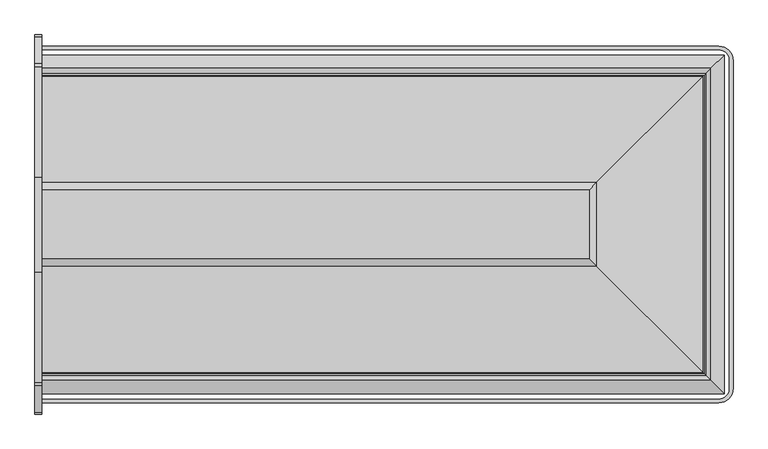
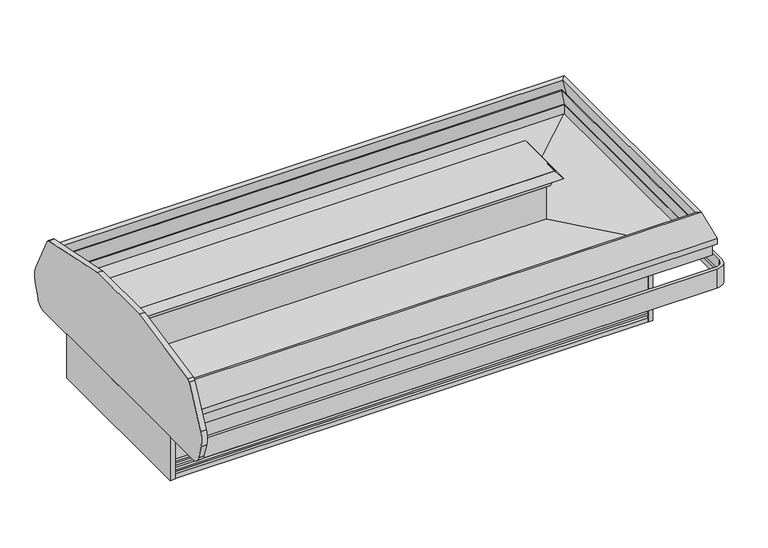
"""IFC4 building model written with IfcOpenShell, lengths in millimetres: proxy geometry."""

from ifc_helpers import new_model, si_unit, point, frame, frame_2d, origin, origin_with_axes, place, context, project, spatial, polyline, circle_curve, ellipse_curve, trimmed, segment, composite_curve, outline, extrude, faceted_brep, source, transform, mapped, element, save
from ifc_brep_helpers import plane_surface, cylinder_surface, revolved_surface, advanced_brep


def mechanical_equipment_62e10a03(model_context):
    return source(origin(), model_context, "Body", "SolidModel", [
        extrude(outline(polyline([(2943.5610789, -1521.8335484), (3248.3610789, -1521.8335484), (3248.3610789, -1623.4335484), (2943.5610789, -1623.4335484), (2943.5610789, -1521.8335484)])), frame((0.0, 0.0, 139.7), z_axis=(0.0, 0.0, 1.0), x_axis=(1.0, 0.0, 0.0)), (0.0, 0.0, 1.0), 53.975),
        extrude(outline(polyline([(3357.3719993, -1987.1166266), (3357.3719993, -1952.9985136), (3389.1219993, -1952.9985136), (3389.1219993, -1987.1166266), (3357.3719993, -1987.1166266)])), origin_with_axes(), (0.0, 0.0, 1.0), 374.65),
        extrude(outline(polyline([(3357.3719993, -739.722628), (3389.1219993, -739.722628), (3389.1219993, -773.840741), (3357.3719993, -773.840741), (3357.3719993, -739.722628)])), origin_with_axes(), (0.0, 0.0, 1.0), 374.65),
        extrude(outline(polyline([(0.0, -728.4196273), (0.0, -1998.4196273), (-38.1, -1998.4196273), (-38.1, -728.4196273), (0.0, -728.4196273)])), frame((0.0, 0.0, 5.8104303), z_axis=(0.0, 0.0, 1.0), x_axis=(1.0, 0.0, 0.0)), (0.0, 0.0, 1.0), 330.2),
        extrude(outline(composite_curve([segment(trimmed(circle_curve(frame_2d((-2276.0813528, 412.2141747)), 76.2037445), [point((-2276.0813528, 336.0104303))], [point((-2349.0936528, 390.3918303))], False, "CARTESIAN"), True, "CONTINUOUS"), segment(polyline([(-2349.0936528, 390.3918303), (-2380.4118528, 495.1749721)]), True, "CONTINUOUS"), segment(trimmed(circle_curve(frame_2d((-2210.103478, 546.077738)), 177.752733), [point((-2380.4118528, 495.1749721))], [point((-2377.8321273, 604.9261391))], False, "CARTESIAN"), True, "CONTINUOUS"), segment(polyline([(-2377.8321273, 604.9261391), (-2233.2627626, 888.659493)]), True, "CONTINUOUS"), segment(trimmed(circle_curve(frame_2d((-2210.6311969, 877.1281343)), 25.4), [point((-2233.2627626, 888.659493))], [point((-2216.4820638, 901.845079))], False, "CARTESIAN"), True, "CONTINUOUS"), segment(polyline([(-2216.4820638, 901.845079), (-1619.9032333, 1025.3672201), (-1106.9360213, 1025.3672201), (-510.3571908, 901.845079)]), True, "CONTINUOUS"), segment(trimmed(circle_curve(frame_2d((-516.2080577, 877.1281343)), 25.4), [point((-510.3571908, 901.845079))], [point((-493.576492, 888.659493))], False, "CARTESIAN"), True, "CONTINUOUS"), segment(polyline([(-493.576492, 888.659493), (-349.0071273, 604.9261391)]), True, "CONTINUOUS"), segment(trimmed(circle_curve(frame_2d((-516.7357765, 546.077738)), 177.752733), [point((-349.0071273, 604.9261391))], [point((-346.4274018, 495.1749721))], False, "CARTESIAN"), True, "CONTINUOUS"), segment(polyline([(-346.4274018, 495.1749721), (-377.7456018, 390.3918303)]), True, "CONTINUOUS"), segment(trimmed(circle_curve(frame_2d((-450.7579018, 412.2141747)), 76.2037445), [point((-377.7456018, 390.3918303))], [point((-450.7579018, 336.0104303))], False, "CARTESIAN"), True, "CONTINUOUS"), segment(polyline([(-450.7579018, 336.0104303), (-2276.0813528, 336.0104303)]), True, "CONTINUOUS")], self_intersect=False)), frame((-38.1, 0.0, 0.0), z_axis=(1.0, 0.0, 0.0), x_axis=(0.0, 1.0, 0.0)), (0.0, 0.0, 1.0), 38.1),
        advanced_brep(
        [(0.0, -400.7279842, 359.085718), (0.0, -415.4599842, 359.085718), (0.0, -415.4599842, 395.026718), (0.0, -420.1796936, 421.79352), (0.0, -420.1796936, 502.405218), (0.0, -400.7279842, 502.405218), (3651.3002227, -400.7279842, 359.085718), (3728.1166431, -477.5444046, 359.085718), (3728.1166431, -2249.29485, 359.085718), (3651.3002227, -2326.1112704, 359.085718), (0.0, -2326.1112704, 359.085718), (0.0, -2311.3792704, 359.085718), (3651.3002227, -2311.3792704, 359.085718), (3713.3846431, -2249.29485, 359.085718), (3713.3846431, -477.5444046, 359.085718), (3651.3002227, -415.4599842, 359.085718), (3651.3002227, -415.4599842, 395.026718), (3651.3002227, -420.1796936, 421.79352), (3651.3002227, -420.1796936, 502.405218), (3708.6649337, -477.5444046, 502.405218), (3708.6649337, -2249.29485, 502.405218), (3651.3002227, -2306.659561, 502.405218), (0.0, -2306.659561, 502.405218), (0.0, -2326.1112704, 502.405218), (3651.3002227, -2326.1112704, 502.405218), (3728.1166431, -2249.29485, 502.405218), (3728.1166431, -477.5444046, 502.405218), (3651.3002227, -400.7279842, 502.405218), (3713.3846431, -477.5444046, 395.026718), (3708.6649337, -477.5444046, 421.79352), (3713.3846431, -2249.29485, 395.026718), (3708.6649337, -2249.29485, 421.79352), (3651.3002227, -2311.3792704, 395.026718), (3651.3002227, -2306.659561, 421.79352), (0.0, -2306.659561, 421.79352), (0.0, -2311.3792704, 395.026718)],
        [
            (0, 1),
            (1, 2),
            (2, 3),
            (3, 4),
            (4, 5),
            (5, 0),
            (0, 6),
            (6, 7, circle_curve(frame((3651.3002227, -477.5444046, 359.085718), z_axis=(0.0, 0.0, -1.0), x_axis=(0.0, 1.0, 0.0)), 76.8164204)),
            (7, 8),
            (8, 9, circle_curve(frame((3651.3002227, -2249.29485, 359.085718), z_axis=(0.0, 0.0, -1.0), x_axis=(1.0, 0.0, 0.0)), 76.8164204)),
            (9, 10),
            (10, 11),
            (11, 12),
            (12, 13, circle_curve(frame((3651.3002227, -2249.29485, 359.085718), z_axis=(0.0, 0.0, 1.0), x_axis=(1.0, 0.0, 0.0)), 62.0844204)),
            (13, 14),
            (14, 15, circle_curve(frame((3651.3002227, -477.5444046, 359.085718), z_axis=(0.0, 0.0, 1.0), x_axis=(0.0, 1.0, 0.0)), 62.0844204)),
            (15, 1),
            (15, 16),
            (16, 2),
            (16, 17),
            (17, 3),
            (17, 18),
            (18, 4),
            (18, 19, circle_curve(frame((3651.3002227, -477.5444046, 502.405218), z_axis=(0.0, 0.0, -1.0), x_axis=(0.0, 1.0, 0.0)), 57.364711)),
            (19, 20),
            (20, 21, circle_curve(frame((3651.3002227, -2249.29485, 502.405218), z_axis=(0.0, 0.0, -1.0), x_axis=(1.0, 0.0, 0.0)), 57.364711)),
            (21, 22),
            (22, 23),
            (23, 24),
            (24, 25, circle_curve(frame((3651.3002227, -2249.29485, 502.405218), z_axis=(0.0, 0.0, 1.0), x_axis=(1.0, 0.0, 0.0)), 76.8164204)),
            (25, 26),
            (26, 27, circle_curve(frame((3651.3002227, -477.5444046, 502.405218), z_axis=(0.0, 0.0, 1.0), x_axis=(0.0, 1.0, 0.0)), 76.8164204)),
            (27, 5),
            (27, 6),
            (28, 16, circle_curve(frame((3651.3002227, -477.5444046, 395.026718), z_axis=(0.0, 0.0, 1.0), x_axis=(0.0, 1.0, 0.0)), 62.0844204)),
            (14, 28),
            (29, 17, circle_curve(frame((3651.3002227, -477.5444046, 421.79352), z_axis=(0.0, 0.0, 1.0), x_axis=(0.0, 1.0, 0.0)), 57.364711)),
            (28, 29),
            (29, 19),
            (26, 7),
            (13, 30),
            (30, 28),
            (30, 31),
            (31, 29),
            (31, 20),
            (25, 8),
            (32, 30, circle_curve(frame((3651.3002227, -2249.29485, 395.026718), z_axis=(0.0, 0.0, 1.0), x_axis=(1.0, 0.0, 0.0)), 62.0844204)),
            (12, 32),
            (33, 31, circle_curve(frame((3651.3002227, -2249.29485, 421.79352), z_axis=(0.0, 0.0, 1.0), x_axis=(1.0, 0.0, 0.0)), 57.364711)),
            (32, 33),
            (33, 21),
            (24, 9),
            (10, 23),
            (22, 34),
            (34, 35),
            (35, 11),
            (35, 32),
            (34, 33),
        ],
        [
            plane_surface(frame((0.0, -401.3444046, 0.0), z_axis=(-1.0, 0.0, 0.0), x_axis=(0.0, 0.0, 1.0))),
            plane_surface(frame((0.0, -400.7279842, 359.085718), z_axis=(0.0, 0.0, -1.0), x_axis=(1.0, 0.0, 0.0))),
            plane_surface(frame((0.0, -415.4599842, 359.085718), z_axis=(0.0, -1.0, 0.0), x_axis=(1.0, 0.0, 0.0))),
            plane_surface(frame((0.0, -415.4599842, 395.026718), z_axis=(0.0, -0.9848077530122084, -0.17364817766692878), x_axis=(1.0, 0.0, 0.0))),
            plane_surface(frame((0.0, -420.1796936, 421.79352), z_axis=(0.0, -1.0, 0.0), x_axis=(1.0, 0.0, 0.0))),
            plane_surface(frame((0.0, -420.1796936, 502.405218), z_axis=(0.0, 0.0, 1.0), x_axis=(1.0, 0.0, 0.0))),
            plane_surface(frame((0.0, -400.7279842, 502.405218), z_axis=(0.0, 1.0, 0.0), x_axis=(1.0, 0.0, 0.0))),
            revolved_surface(polyline([(3651.3002227, -415.4599842, 359.085718), (3651.3002227, -415.4599842, 395.026718)]), (3651.3002227, -477.5444046, 0.0), (0.0, 0.0, -1.0)),
            revolved_surface(polyline([(3651.3002227, -415.4599842, 395.026718), (3651.3002227, -420.1796936, 421.79352)]), (3651.3002227, -477.5444046, 0.0), (0.0, 0.0, -1.0)),
            revolved_surface(polyline([(3651.3002227, -420.1796936, 421.79352), (3651.3002227, -420.1796936, 502.405218)]), (3651.3002227, -477.5444046, 0.0), (0.0, 0.0, -1.0)),
            cylinder_surface(frame((3651.3002227, -477.5444046, 0.0), z_axis=(0.0, 0.0, -1.0), x_axis=(0.0, 1.0, 0.0)), 76.8164204),
            plane_surface(frame((3713.3846431, -477.5444046, 359.085718), z_axis=(-1.0, 0.0, 0.0), x_axis=(0.0, -1.0, 0.0))),
            plane_surface(frame((3713.3846431, -477.5444046, 395.026718), z_axis=(-0.9848077530122084, 0.0, -0.17364817766692878), x_axis=(0.0, -1.0, 0.0))),
            plane_surface(frame((3708.6649337, -477.5444046, 421.79352), z_axis=(-1.0, 0.0, 0.0), x_axis=(0.0, -1.0, 0.0))),
            plane_surface(frame((3728.1166431, -477.5444046, 502.405218), z_axis=(1.0, 0.0, 0.0), x_axis=(0.0, -1.0, 0.0))),
            revolved_surface(polyline([(3713.3846431, -2249.29485, 359.085718), (3713.3846431, -2249.29485, 395.026718)]), (3651.3002227, -2249.29485, 0.0), (0.0, 0.0, -1.0)),
            revolved_surface(polyline([(3713.3846431, -2249.29485, 395.026718), (3708.6649337, -2249.29485, 421.79352)]), (3651.3002227, -2249.29485, 0.0), (0.0, 0.0, -1.0)),
            revolved_surface(polyline([(3708.6649337000003, -2249.29485, 421.79352), (3708.6649337000003, -2249.29485, 502.405218)]), (3651.3002227, -2249.29485, 0.0), (0.0, 0.0, -1.0)),
            cylinder_surface(frame((3651.3002227, -2249.29485, 0.0), z_axis=(0.0, 0.0, -1.0), x_axis=(1.0, 0.0, 0.0)), 76.8164204),
            plane_surface(frame((0.0, -2325.49485, 0.0), z_axis=(-1.0, 0.0, 0.0), x_axis=(0.0, 0.0, 1.0))),
            plane_surface(frame((3651.3002227, -2311.3792704, 359.085718), z_axis=(0.0, 1.0, 0.0), x_axis=(-1.0, 0.0, 0.0))),
            plane_surface(frame((3651.3002227, -2311.3792704, 395.026718), z_axis=(0.0, 0.9848077530122084, -0.17364817766692878), x_axis=(-1.0, 0.0, 0.0))),
            plane_surface(frame((3651.3002227, -2306.659561, 421.79352), z_axis=(0.0, 1.0, 0.0), x_axis=(-1.0, 0.0, 0.0))),
            plane_surface(frame((3651.3002227, -2326.1112704, 502.405218), z_axis=(0.0, -1.0, 0.0), x_axis=(-1.0, 0.0, 0.0))),
        ],
        [
            (0, [[1, 2, 3, 4, 5, 6]]),
            (1, [[-1, 7, 8, 9, 10, 11, 12, 13, 14, 15, 16, 17]]),
            (2, [[-2, -17, 18, 19]]),
            (3, [[-3, -19, 20, 21]]),
            (4, [[-4, -21, 22, 23]]),
            (5, [[-5, -23, 24, 25, 26, 27, 28, 29, 30, 31, 32, 33]]),
            (6, [[-6, -33, 34, -7]]),
            (7, [[35, -18, -16, 36]]),
            (8, [[37, -20, -35, 38]]),
            (9, [[-24, -22, -37, 39]]),
            (10, [[-8, -34, -32, 40]]),
            (11, [[-36, -15, 41, 42]]),
            (12, [[-38, -42, 43, 44]]),
            (13, [[-39, -44, 45, -25]]),
            (14, [[-40, -31, 46, -9]]),
            (15, [[47, -41, -14, 48]]),
            (16, [[49, -43, -47, 50]]),
            (17, [[-26, -45, -49, 51]]),
            (18, [[-10, -46, -30, 52]]),
            (19, [[53, -28, 54, 55, 56, -12]]),
            (20, [[-48, -13, -56, 57]]),
            (21, [[-50, -57, -55, 58]]),
            (22, [[-51, -58, -54, -27]]),
            (23, [[-52, -29, -53, -11]]),
        ],
    ),
        extrude(outline(composite_curve([segment(trimmed(circle_curve(frame_2d((1828.8, -1363.4196273)), 19.05), [point((1809.75, -1363.4196273))], [point((1847.85, -1363.4196273))], False, "CARTESIAN"), True, "CONTINUOUS"), segment(trimmed(circle_curve(frame_2d((1828.8, -1363.4196273)), 19.05), [point((1847.85, -1363.4196273))], [point((1809.75, -1363.4196273))], False, "CARTESIAN"), True, "CONTINUOUS")], self_intersect=False)), frame((0.0, 0.0, 43.7437524), z_axis=(0.0, 0.0, 1.0), x_axis=(1.0, 0.0, 0.0)), (0.0, 0.0, 1.0), 210.2562476),
        extrude(outline(composite_curve([segment(trimmed(circle_curve(frame_2d((1550.8705885, -1029.9828833)), 11.1125), [point((1539.7580885, -1029.9828833))], [point((1561.9830885, -1029.9828833))], False, "CARTESIAN"), True, "CONTINUOUS"), segment(trimmed(circle_curve(frame_2d((1550.8705885, -1029.9828833)), 11.1125), [point((1561.9830885, -1029.9828833))], [point((1539.7580885, -1029.9828833))], False, "CARTESIAN"), True, "CONTINUOUS")], self_intersect=False)), frame((0.0, 0.0, 87.4159355), z_axis=(0.0, 0.0, 1.0), x_axis=(1.0, 0.0, 0.0)), (0.0, 0.0, 1.0), 166.5840645),
        extrude(outline(composite_curve([segment(trimmed(circle_curve(frame_2d((1551.3382345, -1050.5593095)), 4.7625), [point((1546.5757345, -1050.5593095))], [point((1556.1007345, -1050.5593095))], False, "CARTESIAN"), True, "CONTINUOUS"), segment(trimmed(circle_curve(frame_2d((1551.3382345, -1050.5593095)), 4.7625), [point((1556.1007345, -1050.5593095))], [point((1546.5757345, -1050.5593095))], False, "CARTESIAN"), True, "CONTINUOUS")], self_intersect=False)), frame((0.0, 0.0, 87.4159355), z_axis=(0.0, 0.0, 1.0), x_axis=(1.0, 0.0, 0.0)), (0.0, 0.0, 1.0), 166.5840645),
        faceted_brep([(0.0, -1987.1166266, 146.05), (0.0, -1987.1166266, 354.3983804), (0.0, -1969.2096266, 354.3983804), (0.0, -1969.2096266, 374.65), (0.0, -1865.4057062, 374.65), (0.0, -1865.4057062, 146.05), (3389.1219993, -1987.1166266, 146.05), (3389.1219993, -1987.1166266, 354.3983804), (3389.1219993, -739.722628, 354.3983804), (0.0, -739.722628, 354.3983804), (0.0, -757.629628, 354.3983804), (3371.2149993, -757.629628, 354.3983804), (3371.2149993, -1969.2096266, 354.3983804), (3371.2149993, -1969.2096266, 374.65), (3371.2149993, -757.629628, 374.65), (0.0, -757.629628, 374.65), (0.0, -861.4335484, 374.65), (3267.4110789, -861.4335484, 374.65), (3267.4110789, -1865.4057062, 374.65), (3267.4110789, -1865.4057062, 146.05), (3267.4110789, -1665.3807062, 146.05), (3267.4110789, -1508.4341352, 146.05), (3267.4110789, -861.4335484, 146.05), (0.0, -861.4335484, 146.05), (0.0, -739.722628, 146.05), (3389.1219993, -739.722628, 146.05)], [[[0, 1, 2, 3, 4, 5]], [[1, 0, 6, 7]], [[2, 1, 7, 8, 9, 10, 11, 12]], [[3, 2, 12, 13]], [[4, 3, 13, 14, 15, 16, 17, 18]], [[5, 4, 18, 19]], [[0, 5, 19, 20, 21, 22, 23, 24, 25, 6]], [[7, 6, 25, 8]], [[12, 11, 14, 13]], [[18, 17, 22, 21, 20, 19]], [[10, 9, 24, 23, 16, 15]], [[9, 8, 25, 24]], [[11, 10, 15, 14]], [[17, 16, 23, 22]]]),
        advanced_brep(
        [(3267.4110789, -1508.4341352, 561.4683528), (3267.4110789, -1508.4341352, 449.6331021), (3267.4110789, -1764.6985468, 436.6496591), (3267.4110789, -1779.7804526, 422.3615379), (3267.4110789, -1794.8612198, 436.6485806), (3267.4110789, -1901.8970159, 440.5227377), (3267.4110789, -1901.8970159, 374.65), (3267.4110789, -1865.4057062, 374.65), (3267.4110789, -1865.4057062, 139.7), (3267.4110789, -1665.3807062, 139.7), (3267.4110789, -1665.3807062, 206.9984495), (3267.4110789, -1508.4341352, 206.9984495), (3267.4110789, -1508.4341352, 139.7), (3267.4110789, -861.4335484, 139.7), (3267.4110789, -861.4335484, 374.65), (3267.4110789, -824.9422387, 374.65), (3267.4110789, -824.9422387, 440.5227377), (3267.4110789, -931.9780348, 436.6485806), (3267.4110789, -947.058802, 422.3615379), (3267.4110789, -962.1407078, 436.6496591), (3267.4110789, -1218.4051194, 449.6331021), (3267.4110789, -1218.4051194, 561.4683528), (0.0, -1508.4341352, 561.4683528), (0.0, -1218.4051194, 561.4683528), (0.0, -1218.4051194, 449.6331021), (0.0, -962.1407078, 436.6496591), (0.0, -947.058802, 422.3615379), (0.0, -931.9780348, 436.6485806), (0.0, -824.9422387, 440.5227377), (0.0, -824.9422387, 374.65), (0.0, -861.4335484, 374.65), (0.0, -861.4335484, 139.7), (0.0, -1865.4057062, 139.7), (0.0, -1865.4057062, 374.65), (0.0, -1901.8970159, 374.65), (0.0, -1901.8970159, 440.5227377), (0.0, -1794.8612198, 436.6485806), (0.0, -1779.7804526, 422.3615379), (0.0, -1764.6985468, 436.6496591), (0.0, -1508.4341352, 449.6331021), (2892.7610789, -1508.4341352, 139.7), (2892.7610789, -1665.3807062, 139.7), (1525.5875, -1039.5696273, 139.7), (1576.3875, -1039.5696273, 139.7), (1797.05, -1362.9182706, 139.7), (1860.55, -1362.9182706, 139.7), (1525.5875, -1039.5696273, 254.0), (1576.3875, -1039.5696273, 254.0), (1797.05, -1362.9182706, 254.0), (1860.55, -1362.9182706, 254.0), (2892.7610789, -1665.3807062, 206.9984495), (2892.7610789, -1508.4341352, 206.9984495)],
        [
            (0, 1),
            (1, 2),
            (2, 3),
            (3, 4),
            (4, 5),
            (5, 6),
            (6, 7),
            (7, 8),
            (8, 9),
            (9, 10),
            (10, 11),
            (11, 12),
            (12, 13),
            (13, 14),
            (14, 15),
            (15, 16),
            (16, 17),
            (17, 18),
            (18, 19),
            (19, 20),
            (20, 21),
            (21, 0),
            (22, 23),
            (23, 24),
            (24, 25),
            (25, 26),
            (26, 27),
            (27, 28),
            (28, 29),
            (29, 30),
            (30, 31),
            (31, 32),
            (32, 33),
            (33, 34),
            (34, 35),
            (35, 36),
            (36, 37),
            (37, 38),
            (38, 39),
            (39, 22),
            (21, 23),
            (22, 0),
            (39, 1),
            (7, 33),
            (32, 8),
            (31, 13),
            (12, 40),
            (40, 41),
            (41, 9),
            (42, 43, circle_curve(frame((1550.9875, -1039.5696273, 139.7), z_axis=(0.0, 0.0, 1.0), x_axis=(1.0, 0.0, 0.0)), 25.4)),
            (43, 42, circle_curve(frame((1550.9875, -1039.5696273, 139.7), z_axis=(0.0, 0.0, 1.0), x_axis=(1.0, 0.0, 0.0)), 25.4)),
            (44, 45, circle_curve(frame((1828.8, -1362.9182706, 139.7), z_axis=(0.0, 0.0, 1.0), x_axis=(1.0, 0.0, 0.0)), 31.75)),
            (45, 44, circle_curve(frame((1828.8, -1362.9182706, 139.7), z_axis=(0.0, 0.0, 1.0), x_axis=(1.0, 0.0, 0.0)), 31.75)),
            (6, 34),
            (46, 47, circle_curve(frame((1550.9875, -1039.5696273, 254.0), z_axis=(0.0, 0.0, -1.0), x_axis=(1.0, 0.0, 0.0)), 25.4)),
            (47, 46, circle_curve(frame((1550.9875, -1039.5696273, 254.0), z_axis=(0.0, 0.0, -1.0), x_axis=(1.0, 0.0, 0.0)), 25.4)),
            (47, 43),
            (42, 46),
            (48, 49, circle_curve(frame((1828.8, -1362.9182706, 254.0), z_axis=(0.0, 0.0, -1.0), x_axis=(1.0, 0.0, 0.0)), 31.75)),
            (49, 48, circle_curve(frame((1828.8, -1362.9182706, 254.0), z_axis=(0.0, 0.0, -1.0), x_axis=(1.0, 0.0, 0.0)), 31.75)),
            (49, 45),
            (44, 48),
            (50, 51),
            (51, 11),
            (10, 50),
            (41, 50),
            (51, 40),
            (38, 2),
            (5, 35),
            (37, 3),
            (36, 4),
            (30, 14),
            (29, 15),
            (28, 16),
            (27, 17),
            (26, 18),
            (25, 19),
            (24, 20),
        ],
        [
            plane_surface(frame((3267.4110789, -1508.4341352, 561.4683528), z_axis=(1.0, 0.0, 0.0), x_axis=(0.0, 0.0, -1.0))),
            plane_surface(frame((0.0, -1508.4341352, 561.4683528), z_axis=(-1.0, 0.0, 0.0), x_axis=(0.0, 0.0, 1.0))),
            plane_surface(frame((3267.4110789, -1218.4051194, 561.4683528), z_axis=(0.0, 0.0, 1.0), x_axis=(-1.0, 0.0, 0.0))),
            plane_surface(frame((3267.4110789, -1508.4341352, 561.4683528), z_axis=(0.0, -1.0, 0.0), x_axis=(-1.0, 0.0, 0.0))),
            plane_surface(frame((3267.4110789, -1865.4057062, 374.65), z_axis=(0.0, -1.0, 0.0), x_axis=(-1.0, 0.0, 0.0))),
            plane_surface(frame((3267.4110789, -1865.4057062, 139.7), z_axis=(0.0, 0.0, -1.0), x_axis=(-1.0, 0.0, 0.0))),
            plane_surface(frame((3267.4110789, -1901.8970159, 374.65), z_axis=(0.0, 0.0, -1.0), x_axis=(-1.0, 0.0, 0.0))),
            plane_surface(frame((1576.3875, -1039.5696273, 254.0), z_axis=(0.0, 0.0, -1.0), x_axis=(0.0, 1.0, 0.0))),
            revolved_surface(polyline([(1576.3875, -1039.5696273, 254.0), (1576.3875, -1039.5696273, 139.7)]), (1550.9875, -1039.5696273, 0.0), (0.0, 0.0, 1.0)),
            plane_surface(frame((1860.55, -1362.9182706, 254.0), z_axis=(0.0, 0.0, -1.0), x_axis=(0.0, 1.0, 0.0))),
            revolved_surface(polyline([(1860.55, -1362.9182706, 254.0), (1860.55, -1362.9182706, 139.7)]), (1828.8, -1362.9182706, 0.0), (0.0, 0.0, 1.0)),
            plane_surface(frame((3267.4110789, -1665.3807062, 206.9984495), z_axis=(0.0, 0.0, -1.0), x_axis=(1.0, 0.0, 0.0))),
            plane_surface(frame((2892.7610789, -1665.3807062, 206.9984495), z_axis=(0.0, 1.0, 0.0), x_axis=(0.0, 0.0, -1.0))),
            plane_surface(frame((3267.4110789, -1508.4341352, 206.9984495), z_axis=(0.0, -1.0, 0.0), x_axis=(0.0, 0.0, -1.0))),
            plane_surface(frame((2892.7610789, -1508.4341352, 206.9984495), z_axis=(1.0, 0.0, 0.0), x_axis=(0.0, 0.0, -1.0))),
            plane_surface(frame((3267.4110789, -1508.4341352, 449.6331021), z_axis=(0.0, -0.05059934604185482, 0.9987190326513943), x_axis=(-1.0, 0.0, 0.0))),
            plane_surface(frame((3267.4110789, -1901.8970159, 440.5227377), z_axis=(0.0, -1.0, 0.0), x_axis=(-1.0, 0.0, 0.0))),
            plane_surface(frame((3267.4110789, -1764.6985468, 436.6496591), z_axis=(0.0, -0.6877446479107795, 0.72595268390583), x_axis=(-1.0, 0.0, 0.0))),
            plane_surface(frame((3267.4110789, -1779.7804526, 422.3615379), z_axis=(0.0, 0.6877446479107768, 0.7259526839058327), x_axis=(-1.0, 0.0, 0.0))),
            plane_surface(frame((3267.4110789, -1794.8612198, 436.6485806), z_axis=(0.0, 0.036171280996502485, 0.9993456050991929), x_axis=(-1.0, 0.0, 0.0))),
            plane_surface(frame((3267.4110789, -861.4335484, 139.7), z_axis=(0.0, 1.0, 0.0), x_axis=(-1.0, 0.0, 0.0))),
            plane_surface(frame((3267.4110789, -861.4335484, 374.65), z_axis=(0.0, 0.0, -1.0), x_axis=(-1.0, 0.0, 0.0))),
            plane_surface(frame((3267.4110789, -824.9422387, 374.65), z_axis=(0.0, 1.0, 0.0), x_axis=(-1.0, 0.0, 0.0))),
            plane_surface(frame((3267.4110789, -824.9422387, 440.5227377), z_axis=(0.0, -0.03617128099650132, 0.999345605099193), x_axis=(-1.0, 0.0, 0.0))),
            plane_surface(frame((3267.4110789, -931.9780348, 436.6485806), z_axis=(0.0, -0.687744647910777, 0.7259526839058325), x_axis=(-1.0, 0.0, 0.0))),
            plane_surface(frame((3267.4110789, -947.058802, 422.3615379), z_axis=(0.0, 0.6877446479107832, 0.7259526839058267), x_axis=(-1.0, 0.0, 0.0))),
            plane_surface(frame((3267.4110789, -962.1407078, 436.6496591), z_axis=(0.0, 0.05059934604185525, 0.9987190326513942), x_axis=(-1.0, 0.0, 0.0))),
            plane_surface(frame((3267.4110789, -1218.4051194, 449.6331021), z_axis=(0.0, 1.0, 0.0), x_axis=(-1.0, 0.0, 0.0))),
        ],
        [
            (0, [[1, 2, 3, 4, 5, 6, 7, 8, 9, 10, 11, 12, 13, 14, 15, 16, 17, 18, 19, 20, 21, 22]]),
            (1, [[23, 24, 25, 26, 27, 28, 29, 30, 31, 32, 33, 34, 35, 36, 37, 38, 39, 40]]),
            (2, [[-22, 41, -23, 42]]),
            (3, [[-1, -42, -40, 43]]),
            (4, [[-8, 44, -33, 45]]),
            (5, [[-32, 46, -13, 47, 48, 49, -9, -45], [50, 51], [52, 53]]),
            (6, [[-7, 54, -34, -44]]),
            (7, [[55, 56]]),
            (8, [[-56, 57, -50, 58]]),
            (8, [[-55, -58, -51, -57]]),
            (9, [[59, 60]]),
            (10, [[-60, 61, -52, 62]]),
            (10, [[-59, -62, -53, -61]]),
            (11, [[63, 64, -11, 65]]),
            (12, [[-65, -10, -49, 66]]),
            (13, [[-64, 67, -47, -12]]),
            (14, [[-63, -66, -48, -67]]),
            (15, [[-2, -43, -39, 68]]),
            (16, [[-6, 69, -35, -54]]),
            (17, [[-3, -68, -38, 70]]),
            (18, [[-4, -70, -37, 71]]),
            (19, [[-5, -71, -36, -69]]),
            (20, [[-14, -46, -31, 72]]),
            (21, [[-15, -72, -30, 73]]),
            (22, [[-16, -73, -29, 74]]),
            (23, [[-17, -74, -28, 75]]),
            (24, [[-18, -75, -27, 76]]),
            (25, [[-19, -76, -26, 77]]),
            (26, [[-20, -77, -25, 78]]),
            (27, [[-21, -78, -24, -41]]),
        ],
    ),
        advanced_brep(
        [(0.0, -1973.7348032, 41.0863151), (0.0, -1970.2457061, 52.2515752), (0.0, -1980.8829014, 50.0937524), (0.0, -1982.8768014, 50.0937524), (0.0, -1982.8768014, 62.7937524), (0.0, -1973.7348032, 72.0584982), (0.0, -1970.2457061, 83.2237583), (0.0, -1980.8829014, 81.0659355), (0.0, -1982.8768014, 81.0659355), (0.0, -1982.8768014, 93.7659355), (0.0, -1973.7348032, 103.0306813), (0.0, -1970.2457061, 114.0694894), (0.0, -1980.8829014, 112.0383055), (0.0, -1982.8768014, 112.0383055), (0.0, -1982.8768014, 124.7383055), (0.0, -1970.2457061, 137.4381186), (0.0, -1970.2457061, 146.05), (0.0, -1960.1374494, 146.05), (0.0, -1960.1374494, 0.0), (0.0, -1985.7651061, 0.0), (0.0, -1985.7651061, 31.4790022), (0.0, -753.1044514, 41.0863151), (0.0, -741.0741485, 31.4790022), (0.0, -741.0741485, 0.0), (0.0, -766.7018052, 0.0), (0.0, -766.7018052, 146.05), (0.0, -756.5935485, 146.05), (0.0, -756.5935485, 137.4381186), (0.0, -743.9624532, 124.7383055), (0.0, -743.9624532, 112.0383055), (0.0, -745.9563532, 112.0383055), (0.0, -756.5935485, 114.0694894), (0.0, -753.1044514, 103.0306813), (0.0, -743.9624532, 93.7659355), (0.0, -743.9624532, 81.0659355), (0.0, -745.9563532, 81.0659355), (0.0, -756.5935485, 83.2237583), (0.0, -753.1044514, 72.0584982), (0.0, -743.9624532, 62.7937524), (0.0, -743.9624532, 50.0937524), (0.0, -745.9563532, 50.0937524), (0.0, -756.5935485, 52.2515752), (3375.7401759, -1973.7348032, 41.0863151), (3372.2510788, -1970.2457061, 52.2515752), (3382.8882741, -1980.8829014, 50.0937524), (3382.8882741, -745.9563532, 50.0937524), (3384.8821741, -743.9624532, 50.0937524), (3384.8821741, -1982.8768014, 50.0937524), (3384.8821741, -1982.8768014, 62.7937524), (3375.7401759, -1973.7348032, 72.0584982), (3372.2510788, -1970.2457061, 83.2237583), (3382.8882741, -1980.8829014, 81.0659355), (3382.8882741, -745.9563532, 81.0659355), (3384.8821741, -743.9624532, 81.0659355), (3384.8821741, -1982.8768014, 81.0659355), (3384.8821741, -1982.8768014, 93.7659355), (3375.7401759, -1973.7348032, 103.0306813), (3372.2510788, -1970.2457061, 114.0694894), (3382.8882741, -1980.8829014, 112.0383055), (3382.8882741, -745.9563532, 112.0383055), (3384.8821741, -743.9624532, 112.0383055), (3384.8821741, -1982.8768014, 112.0383055), (3384.8821741, -1982.8768014, 124.7383055), (3372.2510788, -1970.2457061, 137.4381186), (3372.2510788, -1970.2457061, 146.05), (3372.2510788, -756.5935485, 146.05), (3362.1428221, -766.7018052, 146.05), (3362.1428221, -1960.1374494, 146.05), (3362.1428221, -1960.1374494, 0.0), (3362.1428221, -766.7018052, 0.0), (3387.7704788, -741.0741485, 0.0), (3387.7704788, -1985.7651061, 0.0), (3387.7704788, -1985.7651061, 31.4790022), (3375.7401759, -753.1044514, 41.0863151), (3372.2510788, -756.5935485, 52.2515752), (3384.8821741, -743.9624532, 62.7937524), (3375.7401759, -753.1044514, 72.0584982), (3372.2510788, -756.5935485, 83.2237583), (3384.8821741, -743.9624532, 93.7659355), (3375.7401759, -753.1044514, 103.0306813), (3372.2510788, -756.5935485, 114.0694894), (3384.8821741, -743.9624532, 124.7383055), (3372.2510788, -756.5935485, 137.4381186), (3387.7704788, -741.0741485, 31.4790022)],
        [
            (0, 1),
            (1, 2),
            (2, 3),
            (3, 4),
            (4, 5, circle_curve(frame((0.0, -1986.0686404, 75.0861144), z_axis=(1.0, 0.0, 0.0), x_axis=(0.0, 1.0, 0.0)), 12.7)),
            (5, 6),
            (6, 7),
            (7, 8),
            (8, 9),
            (9, 10, circle_curve(frame((0.0, -1986.0686404, 106.0582975), z_axis=(1.0, 0.0, 0.0), x_axis=(0.0, 1.0, 0.0)), 12.7)),
            (10, 11),
            (11, 12),
            (12, 13),
            (13, 14),
            (14, 15, circle_curve(frame((0.0, -1982.9457061, 137.4381186), z_axis=(1.0, 0.0, 0.0), x_axis=(0.0, 1.0, 0.0)), 12.7)),
            (15, 16),
            (16, 17),
            (17, 18),
            (18, 19),
            (19, 20),
            (20, 0, circle_curve(frame((0.0, -1984.7113588, 42.4953422), z_axis=(1.0, 0.0, 0.0), x_axis=(0.0, 1.0, 0.0)), 11.0666223)),
            (21, 22, circle_curve(frame((0.0, -742.1278958, 42.4953422), z_axis=(1.0, 0.0, 0.0), x_axis=(0.0, -1.0, 0.0)), 11.0666223)),
            (22, 23),
            (23, 24),
            (24, 25),
            (25, 26),
            (26, 27),
            (27, 28, circle_curve(frame((0.0, -743.8935485, 137.4381186), z_axis=(1.0, 0.0, 0.0), x_axis=(0.0, -1.0, 0.0)), 12.7)),
            (28, 29),
            (29, 30),
            (30, 31),
            (31, 32),
            (32, 33, circle_curve(frame((0.0, -740.7706142, 106.0582975), z_axis=(1.0, 0.0, 0.0), x_axis=(0.0, -1.0, 0.0)), 12.7)),
            (33, 34),
            (34, 35),
            (35, 36),
            (36, 37),
            (37, 38, circle_curve(frame((0.0, -740.7706142, 75.0861144), z_axis=(1.0, 0.0, 0.0), x_axis=(0.0, -1.0, 0.0)), 12.7)),
            (38, 39),
            (39, 40),
            (40, 41),
            (41, 21),
            (0, 42),
            (42, 43),
            (43, 1),
            (43, 44),
            (44, 2),
            (44, 45),
            (45, 40),
            (39, 46),
            (46, 47),
            (47, 3),
            (47, 48),
            (48, 4),
            (48, 49, ellipse_curve(frame((3388.0740131, -1986.0686404, 75.0861144), z_axis=(0.7071067811865475, 0.7071067811865475, 0.0), x_axis=(0.7071067811865476, -0.7071067811865474, 0.0)), 17.9605122, 12.7)),
            (49, 5),
            (49, 50),
            (50, 6),
            (50, 51),
            (51, 7),
            (51, 52),
            (52, 35),
            (34, 53),
            (53, 54),
            (54, 8),
            (54, 55),
            (55, 9),
            (55, 56, ellipse_curve(frame((3388.0740131, -1986.0686404, 106.0582975), z_axis=(0.7071067811865475, 0.7071067811865475, 0.0), x_axis=(0.7071067811865476, -0.7071067811865474, 0.0)), 17.9605122, 12.7)),
            (56, 10),
            (56, 57),
            (57, 11),
            (57, 58),
            (58, 12),
            (58, 59),
            (59, 30),
            (29, 60),
            (60, 61),
            (61, 13),
            (61, 62),
            (62, 14),
            (62, 63, ellipse_curve(frame((3384.9510788, -1982.9457061, 137.4381186), z_axis=(0.7071067811865475, 0.7071067811865475, 0.0), x_axis=(0.7071067811865476, -0.7071067811865474, 0.0)), 17.9605122, 12.7)),
            (63, 15),
            (63, 64),
            (64, 16),
            (64, 65),
            (65, 26),
            (25, 66),
            (66, 67),
            (67, 17),
            (67, 68),
            (68, 18),
            (68, 69),
            (69, 24),
            (23, 70),
            (70, 71),
            (71, 19),
            (71, 72),
            (72, 20),
            (72, 42, ellipse_curve(frame((3386.7167315, -1984.7113588, 42.4953422), z_axis=(0.7071067811865475, 0.7071067811865475, 0.0), x_axis=(0.7071067811865476, -0.7071067811865474, 0.0)), 15.6505674, 11.0666223)),
            (42, 73),
            (73, 74),
            (74, 43),
            (74, 45),
            (46, 75),
            (75, 48),
            (75, 76, ellipse_curve(frame((3388.0740131, -740.7706142, 75.0861144), z_axis=(-0.7071067811865475, 0.7071067811865475, 0.0), x_axis=(0.7071067811865474, 0.7071067811865476, 0.0)), 17.9605122, 12.7)),
            (76, 49),
            (76, 77),
            (77, 50),
            (77, 52),
            (53, 78),
            (78, 55),
            (78, 79, ellipse_curve(frame((3388.0740131, -740.7706142, 106.0582975), z_axis=(-0.7071067811865475, 0.7071067811865475, 0.0), x_axis=(0.7071067811865474, 0.7071067811865476, 0.0)), 17.9605122, 12.7)),
            (79, 56),
            (79, 80),
            (80, 57),
            (80, 59),
            (60, 81),
            (81, 62),
            (81, 82, ellipse_curve(frame((3384.9510788, -743.8935485, 137.4381186), z_axis=(-0.7071067811865475, 0.7071067811865475, 0.0), x_axis=(0.7071067811865474, 0.7071067811865476, 0.0)), 17.9605122, 12.7)),
            (82, 63),
            (82, 65),
            (66, 69),
            (70, 83),
            (83, 72),
            (83, 73, ellipse_curve(frame((3386.7167315, -742.1278958, 42.4953422), z_axis=(-0.7071067811865475, 0.7071067811865475, 0.0), x_axis=(0.7071067811865474, 0.7071067811865476, 0.0)), 15.6505674, 11.0666223)),
            (41, 74),
            (73, 21),
            (38, 75),
            (37, 76),
            (36, 77),
            (33, 78),
            (32, 79),
            (31, 80),
            (28, 81),
            (27, 82),
            (22, 83),
        ],
        [
            plane_surface(frame((0.0, -2377.8321273, 0.0), z_axis=(-1.0, 0.0, 0.0), x_axis=(0.0, 0.0, 1.0))),
            plane_surface(frame((0.0, -349.0071273, 0.0), z_axis=(-1.0, 0.0, 0.0), x_axis=(0.0, 0.0, 1.0))),
            plane_surface(frame((0.0, -1973.7348032, 41.0863151), z_axis=(0.0, -0.9544811145040176, 0.29827135641085006), x_axis=(1.0, 0.0, 0.0))),
            plane_surface(frame((0.0, -1970.2457061, 52.2515752), z_axis=(0.0, 0.19880707887699167, -0.9800386448443743), x_axis=(1.0, 0.0, 0.0))),
            plane_surface(frame((0.0, -1980.8829014, 50.0937524), z_axis=(0.0, 0.0, -1.0), x_axis=(1.0, 0.0, 0.0))),
            plane_surface(frame((0.0, -1982.8768014, 50.0937524), z_axis=(0.0, -1.0, 0.0), x_axis=(1.0, 0.0, 0.0))),
            revolved_surface(polyline([(3400.7740130702036, -1973.3686404, 75.0861144), (0.0, -1973.3686404, 75.0861144)]), (0.0, -1986.0686404, 75.0861144), (1.0, 0.0, 0.0)),
            plane_surface(frame((0.0, -1973.7348032, 72.0584982), z_axis=(0.0, -0.9544811145039999, 0.29827135641090713), x_axis=(1.0, 0.0, 0.0))),
            plane_surface(frame((0.0, -1970.2457061, 83.2237583), z_axis=(0.0, 0.19880707887699767, -0.9800386448443731), x_axis=(1.0, 0.0, 0.0))),
            plane_surface(frame((0.0, -1980.8829014, 81.0659355), z_axis=(0.0, 0.0, -1.0), x_axis=(1.0, 0.0, 0.0))),
            plane_surface(frame((0.0, -1982.8768014, 81.0659355), z_axis=(0.0, -1.0, 0.0), x_axis=(1.0, 0.0, 0.0))),
            revolved_surface(polyline([(3400.7740130702036, -1973.3686404, 106.0582975), (0.0, -1973.3686404, 106.0582975)]), (0.0, -1986.0686404, 106.0582975), (1.0, 0.0, 0.0)),
            plane_surface(frame((0.0, -1973.7348032, 103.0306813), z_axis=(0.0, -0.9535043111328462, 0.30137937661870046), x_axis=(1.0, 0.0, 0.0))),
            plane_surface(frame((0.0, -1970.2457061, 114.0694894), z_axis=(0.0, 0.18756221551803973, -0.9822527247658641), x_axis=(1.0, 0.0, 0.0))),
            plane_surface(frame((0.0, -1980.8829014, 112.0383055), z_axis=(0.0, 0.0, -1.0), x_axis=(1.0, 0.0, 0.0))),
            plane_surface(frame((0.0, -1982.8768014, 112.0383055), z_axis=(0.0, -1.0, 0.0), x_axis=(1.0, 0.0, 0.0))),
            revolved_surface(polyline([(3397.6510787702036, -1970.2457061, 137.4381186), (0.0, -1970.2457061, 137.4381186)]), (0.0, -1982.9457061, 137.4381186), (1.0, 0.0, 0.0)),
            plane_surface(frame((0.0, -1970.2457061, 137.4381186), z_axis=(0.0, -1.0, 0.0), x_axis=(1.0, 0.0, 0.0))),
            plane_surface(frame((0.0, -1970.2457061, 146.05), z_axis=(0.0, 0.0, 1.0), x_axis=(1.0, 0.0, 0.0))),
            plane_surface(frame((0.0, -1960.1374494, 146.05), z_axis=(0.0, 1.0, 0.0), x_axis=(1.0, 0.0, 0.0))),
            plane_surface(frame((0.0, -1960.1374494, 0.0), z_axis=(0.0, 0.0, -1.0), x_axis=(1.0, 0.0, 0.0))),
            plane_surface(frame((0.0, -1985.7651061, 0.0), z_axis=(0.0, -1.0, 0.0), x_axis=(1.0, 0.0, 0.0))),
            revolved_surface(polyline([(3397.7833538379573, -1973.6447365, 42.4953422), (0.0, -1973.6447365, 42.4953422)]), (0.0, -1984.7113588, 42.4953422), (1.0, 0.0, 0.0)),
            plane_surface(frame((3375.7401759, -1973.7348032, 41.0863151), z_axis=(0.9544811145040176, 0.0, 0.29827135641085006), x_axis=(0.0, 1.0, 0.0))),
            plane_surface(frame((3372.2510788, -1970.2457061, 52.2515752), z_axis=(-0.19880707887699167, 0.0, -0.9800386448443743), x_axis=(0.0, 1.0, 0.0))),
            plane_surface(frame((3384.8821741, -1982.8768014, 50.0937524), z_axis=(1.0, 0.0, 0.0), x_axis=(0.0, 1.0, 0.0))),
            revolved_surface(polyline([(3375.3740131, -728.0706142297963, 75.0861144), (3375.3740131, -1998.7686403702037, 75.0861144)]), (3388.0740131, -2377.8321273, 75.0861144), (0.0, 1.0, 0.0)),
            plane_surface(frame((3375.7401759, -1973.7348032, 72.0584982), z_axis=(0.9544811145039999, 0.0, 0.29827135641090713), x_axis=(0.0, 1.0, 0.0))),
            plane_surface(frame((3372.2510788, -1970.2457061, 83.2237583), z_axis=(-0.19880707887699767, 0.0, -0.9800386448443731), x_axis=(0.0, 1.0, 0.0))),
            plane_surface(frame((3384.8821741, -1982.8768014, 81.0659355), z_axis=(1.0, 0.0, 0.0), x_axis=(0.0, 1.0, 0.0))),
            revolved_surface(polyline([(3375.3740131, -728.0706142297963, 106.0582975), (3375.3740131, -1998.7686403702037, 106.0582975)]), (3388.0740131, -2377.8321273, 106.0582975), (0.0, 1.0, 0.0)),
            plane_surface(frame((3375.7401759, -1973.7348032, 103.0306813), z_axis=(0.9535043111328462, 0.0, 0.30137937661870046), x_axis=(0.0, 1.0, 0.0))),
            plane_surface(frame((3372.2510788, -1970.2457061, 114.0694894), z_axis=(-0.18756221551803973, 0.0, -0.9822527247658641), x_axis=(0.0, 1.0, 0.0))),
            plane_surface(frame((3384.8821741, -1982.8768014, 112.0383055), z_axis=(1.0, 0.0, 0.0), x_axis=(0.0, 1.0, 0.0))),
            revolved_surface(polyline([(3372.2510788, -731.1935485297963, 137.4381186), (3372.2510788, -1995.6457060702037, 137.4381186)]), (3384.9510788, -2377.8321273, 137.4381186), (0.0, 1.0, 0.0)),
            plane_surface(frame((3372.2510788, -1970.2457061, 137.4381186), z_axis=(1.0, 0.0, 0.0), x_axis=(0.0, 1.0, 0.0))),
            plane_surface(frame((3362.1428221, -1960.1374494, 146.05), z_axis=(-1.0, 0.0, 0.0), x_axis=(0.0, 1.0, 0.0))),
            plane_surface(frame((3387.7704788, -1985.7651061, 0.0), z_axis=(1.0, 0.0, 0.0), x_axis=(0.0, 1.0, 0.0))),
            revolved_surface(polyline([(3375.6501092000003, -731.0612734620429, 42.4953422), (3375.6501092000003, -1995.777981137957, 42.4953422)]), (3386.7167315, -2377.8321273, 42.4953422), (0.0, 1.0, 0.0)),
            plane_surface(frame((3375.7401759, -753.1044514, 41.0863151), z_axis=(0.0, 0.9544811145040176, 0.29827135641085006), x_axis=(-1.0, 0.0, 0.0))),
            plane_surface(frame((3372.2510788, -756.5935485, 52.2515752), z_axis=(0.0, -0.19880707887699167, -0.9800386448443743), x_axis=(-1.0, 0.0, 0.0))),
            plane_surface(frame((3384.8821741, -743.9624532, 50.0937524), z_axis=(0.0, 1.0, 0.0), x_axis=(-1.0, 0.0, 0.0))),
            revolved_surface(polyline([(0.0, -753.4706142, 75.0861144), (3400.7740130702036, -753.4706142, 75.0861144)]), (3779.8375, -740.7706142, 75.0861144), (-1.0, 0.0, 0.0)),
            plane_surface(frame((3375.7401759, -753.1044514, 72.0584982), z_axis=(0.0, 0.9544811145039999, 0.29827135641090713), x_axis=(-1.0, 0.0, 0.0))),
            plane_surface(frame((3372.2510788, -756.5935485, 83.2237583), z_axis=(0.0, -0.19880707887699767, -0.9800386448443731), x_axis=(-1.0, 0.0, 0.0))),
            plane_surface(frame((3384.8821741, -743.9624532, 81.0659355), z_axis=(0.0, 1.0, 0.0), x_axis=(-1.0, 0.0, 0.0))),
            revolved_surface(polyline([(0.0, -753.4706142, 106.0582975), (3400.7740130702036, -753.4706142, 106.0582975)]), (3779.8375, -740.7706142, 106.0582975), (-1.0, 0.0, 0.0)),
            plane_surface(frame((3375.7401759, -753.1044514, 103.0306813), z_axis=(0.0, 0.9535043111328462, 0.30137937661870046), x_axis=(-1.0, 0.0, 0.0))),
            plane_surface(frame((3372.2510788, -756.5935485, 114.0694894), z_axis=(0.0, -0.18756221551803973, -0.9822527247658641), x_axis=(-1.0, 0.0, 0.0))),
            plane_surface(frame((3384.8821741, -743.9624532, 112.0383055), z_axis=(0.0, 1.0, 0.0), x_axis=(-1.0, 0.0, 0.0))),
            revolved_surface(polyline([(0.0, -756.5935485, 137.4381186), (3397.6510787702036, -756.5935485, 137.4381186)]), (3779.8375, -743.8935485, 137.4381186), (-1.0, 0.0, 0.0)),
            plane_surface(frame((3372.2510788, -756.5935485, 137.4381186), z_axis=(0.0, 1.0, 0.0), x_axis=(-1.0, 0.0, 0.0))),
            plane_surface(frame((3362.1428221, -766.7018052, 146.05), z_axis=(0.0, -1.0, 0.0), x_axis=(-1.0, 0.0, 0.0))),
            plane_surface(frame((3387.7704788, -741.0741485, 0.0), z_axis=(0.0, 1.0, 0.0), x_axis=(-1.0, 0.0, 0.0))),
            revolved_surface(polyline([(0.0, -753.1945181, 42.4953422), (3397.7833538379573, -753.1945181, 42.4953422)]), (3779.8375, -742.1278958, 42.4953422), (-1.0, 0.0, 0.0)),
        ],
        [
            (0, [[1, 2, 3, 4, 5, 6, 7, 8, 9, 10, 11, 12, 13, 14, 15, 16, 17, 18, 19, 20, 21]]),
            (1, [[22, 23, 24, 25, 26, 27, 28, 29, 30, 31, 32, 33, 34, 35, 36, 37, 38, 39, 40, 41, 42]]),
            (2, [[-1, 43, 44, 45]]),
            (3, [[-2, -45, 46, 47]]),
            (4, [[-3, -47, 48, 49, -40, 50, 51, 52]]),
            (5, [[-4, -52, 53, 54]]),
            (6, [[-5, -54, 55, 56]]),
            (7, [[-6, -56, 57, 58]]),
            (8, [[-7, -58, 59, 60]]),
            (9, [[-8, -60, 61, 62, -35, 63, 64, 65]]),
            (10, [[-9, -65, 66, 67]]),
            (11, [[-10, -67, 68, 69]]),
            (12, [[-11, -69, 70, 71]]),
            (13, [[-12, -71, 72, 73]]),
            (14, [[-13, -73, 74, 75, -30, 76, 77, 78]]),
            (15, [[-14, -78, 79, 80]]),
            (16, [[-15, -80, 81, 82]]),
            (17, [[-16, -82, 83, 84]]),
            (18, [[-17, -84, 85, 86, -26, 87, 88, 89]]),
            (19, [[-18, -89, 90, 91]]),
            (20, [[-19, -91, 92, 93, -24, 94, 95, 96]]),
            (21, [[-20, -96, 97, 98]]),
            (22, [[-21, -98, 99, -43]]),
            (23, [[-44, 100, 101, 102]]),
            (24, [[-46, -102, 103, -48]]),
            (25, [[-51, 104, 105, -53]]),
            (26, [[-55, -105, 106, 107]]),
            (27, [[-57, -107, 108, 109]]),
            (28, [[-59, -109, 110, -61]]),
            (29, [[-64, 111, 112, -66]]),
            (30, [[-68, -112, 113, 114]]),
            (31, [[-70, -114, 115, 116]]),
            (32, [[-72, -116, 117, -74]]),
            (33, [[-77, 118, 119, -79]]),
            (34, [[-81, -119, 120, 121]]),
            (35, [[-83, -121, 122, -85]]),
            (36, [[-88, 123, -92, -90]]),
            (37, [[-95, 124, 125, -97]]),
            (38, [[-99, -125, 126, -100]]),
            (39, [[-42, 127, -101, 128]]),
            (40, [[-41, -49, -103, -127]]),
            (41, [[-39, 129, -104, -50]]),
            (42, [[-38, 130, -106, -129]]),
            (43, [[-37, 131, -108, -130]]),
            (44, [[-36, -62, -110, -131]]),
            (45, [[-34, 132, -111, -63]]),
            (46, [[-33, 133, -113, -132]]),
            (47, [[-32, 134, -115, -133]]),
            (48, [[-31, -75, -117, -134]]),
            (49, [[-29, 135, -118, -76]]),
            (50, [[-28, 136, -120, -135]]),
            (51, [[-27, -86, -122, -136]]),
            (52, [[-25, -93, -123, -87]]),
            (53, [[-23, 137, -124, -94]]),
            (54, [[-22, -128, -126, -137]]),
        ],
    ),
        faceted_brep([(0.0, -2181.2366726, 861.5557008), (0.0, -2260.5525367, 659.9033799), (0.0, -2241.5832437, 652.4421919), (0.0, -2217.1637149, 652.4421919), (0.0, -2216.8238859, 656.1660469), (0.0, -2170.1422273, 801.2432088), (0.0, -2164.087322, 799.3299339), (0.0, -2210.7689805, 654.252772), (0.0, -2210.1758242, 649.6873876), (0.0, -2277.3254027, 649.6873876), (0.0, -2277.3254027, 690.9584783), (0.0, -2206.2449558, 871.4067245), (3583.2420453, -2181.2366726, 861.5557008), (3662.5579094, -2260.5525367, 659.9033799), (3643.5886164, -2241.5832437, 652.4421919), (3643.5886164, -485.2560109, 652.4421919), (0.0, -485.2560109, 652.4421919), (0.0, -509.6755397, 652.4421919), (3619.1690876, -509.6755397, 652.4421919), (3619.1690876, -2217.1637149, 652.4421919), (3618.8292586, -2216.8238859, 656.1660469), (3572.1476, -2170.1422273, 801.2432088), (3566.0926947, -2164.087322, 799.3299339), (3612.7743532, -2210.7689805, 654.252772), (3612.1811969, -2210.1758242, 649.6873876), (3612.1811969, -516.6634304, 649.6873876), (0.0, -516.6634304, 649.6873876), (0.0, -449.5138519, 649.6873876), (3679.3307754, -449.5138519, 649.6873876), (3679.3307754, -2277.3254027, 649.6873876), (3679.3307754, -2277.3254027, 690.9584783), (3608.2503285, -2206.2449558, 871.4067245), (3583.2420453, -545.602582, 861.5557008), (3662.5579094, -466.2867179, 659.9033799), (3618.8292586, -510.0153687, 656.1660469), (3572.1476, -556.6970273, 801.2432088), (3566.0926947, -562.7519326, 799.3299339), (3612.7743532, -516.0702741, 654.252772), (3679.3307754, -449.5138519, 690.9584783), (3608.2503285, -520.5942988, 871.4067245), (0.0, -545.602582, 861.5557008), (0.0, -520.5942988, 871.4067245), (0.0, -449.5138519, 690.9584783), (0.0, -516.0702741, 654.252772), (0.0, -562.7519326, 799.3299339), (0.0, -556.6970273, 801.2432088), (0.0, -510.0153687, 656.1660469), (0.0, -466.2867179, 659.9033799)], [[[0, 1, 2, 3, 4, 5, 6, 7, 8, 9, 10, 11]], [[1, 0, 12, 13]], [[2, 1, 13, 14]], [[3, 2, 14, 15, 16, 17, 18, 19]], [[4, 3, 19, 20]], [[5, 4, 20, 21]], [[6, 5, 21, 22]], [[7, 6, 22, 23]], [[8, 7, 23, 24]], [[9, 8, 24, 25, 26, 27, 28, 29]], [[10, 9, 29, 30]], [[11, 10, 30, 31]], [[0, 11, 31, 12]], [[13, 12, 32, 33]], [[14, 13, 33, 15]], [[20, 19, 18, 34]], [[21, 20, 34, 35]], [[22, 21, 35, 36]], [[23, 22, 36, 37]], [[24, 23, 37, 25]], [[30, 29, 28, 38]], [[31, 30, 38, 39]], [[12, 31, 39, 32]], [[40, 41, 42, 27, 26, 43, 44, 45, 46, 17, 16, 47]], [[33, 32, 40, 47]], [[15, 33, 47, 16]], [[34, 18, 17, 46]], [[35, 34, 46, 45]], [[36, 35, 45, 44]], [[37, 36, 44, 43]], [[25, 37, 43, 26]], [[38, 28, 27, 42]], [[39, 38, 42, 41]], [[32, 39, 41, 40]]]),
        extrude(outline(polyline([(2951.3212933, -1547.2989834), (0.0, -1547.2989834), (0.0, -1178.6972914), (2951.3212933, -1178.6972914), (2951.3212933, -1547.2989834)])), frame((0.0, 0.0, 1009.3885914), z_axis=(0.0, 0.0, 1.0), x_axis=(1.0, 0.0, 0.0)), (0.0, 0.0, 1.0), 3.1453162),
        extrude(outline(polyline([(2909.8748, -1218.9698273), (2909.8748, -1507.8694273), (0.0, -1507.8694273), (0.0, -1218.9698273), (2909.8748, -1218.9698273)])), frame((0.0, 0.0, 561.4683528), z_axis=(0.0, 0.0, 1.0), x_axis=(1.0, 0.0, 0.0)), (0.0, 0.0, 1.0), 447.9202386),
        faceted_brep([(0.0, -1507.8694273, 899.0596126), (0.0, -1525.8408584, 893.0906294), (0.0, -1549.3159206, 963.7694113), (0.0, -1588.6529496, 963.7694113), (0.0, -1547.5772553, 1009.3885914), (0.0, -1507.8694273, 1009.3885914), (2909.8748, -1507.8694273, 899.0596126), (2927.8462311, -1525.8408584, 893.0906294), (2951.3212933, -1549.3159206, 963.7694113), (2951.3212933, -1177.523334, 963.7694113), (0.0, -1177.523334, 963.7694113), (0.0, -1138.186305, 963.7694113), (2990.6583223, -1138.186305, 963.7694113), (2990.6583223, -1588.6529496, 963.7694113), (2949.582628, -1547.5772553, 1009.3885914), (2949.582628, -1179.2619993, 1009.3885914), (0.0, -1179.2619993, 1009.3885914), (0.0, -1218.9698273, 1009.3885914), (2909.8748, -1218.9698273, 1009.3885914), (2909.8748, -1507.8694273, 1009.3885914), (2909.8748, -1218.9698273, 899.0596126), (2927.8462311, -1200.9983962, 893.0906294), (0.0, -1218.9698273, 899.0596126), (0.0, -1200.9983962, 893.0906294)], [[[0, 1, 2, 3, 4, 5]], [[1, 0, 6, 7]], [[2, 1, 7, 8]], [[3, 2, 8, 9, 10, 11, 12, 13]], [[4, 3, 13, 14]], [[5, 4, 14, 15, 16, 17, 18, 19]], [[0, 5, 19, 6]], [[7, 6, 20, 21]], [[8, 7, 21, 9]], [[14, 13, 12, 15]], [[6, 19, 18, 20]], [[22, 17, 16, 11, 10, 23]], [[21, 20, 22, 23]], [[9, 21, 23, 10]], [[15, 12, 11, 16]], [[20, 18, 17, 22]]]),
        faceted_brep([(0.0, -1507.8694273, 640.7061243), (0.0, -1507.8694273, 449.6617126), (0.0, -1764.6985468, 436.6496591), (0.0, -1779.7804526, 422.3615379), (0.0, -1794.8612198, 436.6485806), (0.0, -2093.0320063, 447.4408623), (0.0, -2255.8801353, 561.4683498), (0.0, -2255.8801353, 649.6873876), (0.0, -2210.1601353, 649.6873876), (0.0, -2210.1601353, 581.214329), (0.0, -1218.9698273, 640.7061243), (0.0, -516.6791193, 581.214329), (0.0, -516.6791193, 649.6873876), (0.0, -470.9591193, 649.6873876), (0.0, -470.9591193, 561.4683498), (0.0, -633.8072483, 447.4408623), (0.0, -931.9780348, 436.6485806), (0.0, -947.058802, 422.3615379), (0.0, -962.1407078, 436.6496591), (0.0, -1218.9698273, 449.6617126), (2909.8748, -1507.8694273, 449.6617126), (3166.7039195, -1764.6985468, 436.6496591), (3181.7858253, -1779.7804526, 422.3615379), (3196.8665925, -1794.8612198, 436.6485806), (3495.037379, -2093.0320063, 447.4408623), (3657.885508, -2255.8801353, 561.4683498), (3657.885508, -2255.8801353, 649.6873876), (3657.885508, -470.9591193, 649.6873876), (3612.165508, -516.6791193, 649.6873876), (3612.165508, -2210.1601353, 649.6873876), (3612.165508, -2210.1601353, 581.214329), (2909.8748, -1507.8694273, 640.7061243), (2909.8748, -1218.9698273, 449.6617126), (3166.7039195, -962.1407078, 436.6496591), (3181.7858253, -947.058802, 422.3615379), (3196.8665925, -931.9780348, 436.6485806), (3495.037379, -633.8072483, 447.4408623), (3657.885508, -470.9591193, 561.4683498), (3612.165508, -516.6791193, 581.214329), (2909.8748, -1218.9698273, 640.7061243)], [[[0, 1, 2, 3, 4, 5, 6, 7, 8, 9]], [[10, 11, 12, 13, 14, 15, 16, 17, 18, 19]], [[2, 1, 20, 21]], [[3, 2, 21, 22]], [[4, 3, 22, 23]], [[5, 4, 23, 24]], [[6, 5, 24, 25]], [[7, 6, 25, 26]], [[8, 7, 26, 27, 13, 12, 28, 29]], [[9, 8, 29, 30]], [[0, 9, 30, 31]], [[21, 20, 32, 33]], [[22, 21, 33, 34]], [[23, 22, 34, 35]], [[24, 23, 35, 36]], [[25, 24, 36, 37]], [[26, 25, 37, 27]], [[30, 29, 28, 38]], [[31, 30, 38, 39]], [[33, 32, 19, 18]], [[34, 33, 18, 17]], [[35, 34, 17, 16]], [[36, 35, 16, 15]], [[37, 36, 15, 14]], [[27, 37, 14, 13]], [[38, 28, 12, 11]], [[39, 38, 11, 10]], [[1, 0, 31, 20]], [[20, 31, 39, 32]], [[32, 39, 10, 19]]]),
    ])


if __name__ == "__main__":
    model = new_model("IFC4")
    model_context = context("Model", 3, world=origin())
    ifc_project = project(units=[si_unit("LENGTHUNIT", "METRE", prefix="MILLI")], contexts=[model_context])
    site = spatial("IfcSite", under=ifc_project)
    building = spatial("IfcBuilding", under=site)
    placement = place(None, origin())
    mechanical_equipment_shape = mechanical_equipment_62e10a03(model_context)
    element("IfcBuildingElementProxy", 1, Name="Mechanical Equipment", at=placement, inside=building, context=model_context, shape_type="MappedRepresentation", body=[
        mapped(mechanical_equipment_shape, transform((0.0, 0.0, 0.0), x_axis=(1.0, 0.0, 0.0), y_axis=(0.0, 1.0, 0.0), z_axis=(0.0, 0.0, 1.0))),
    ])
    save(model, "model.ifc")
